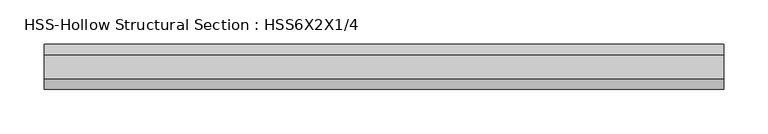
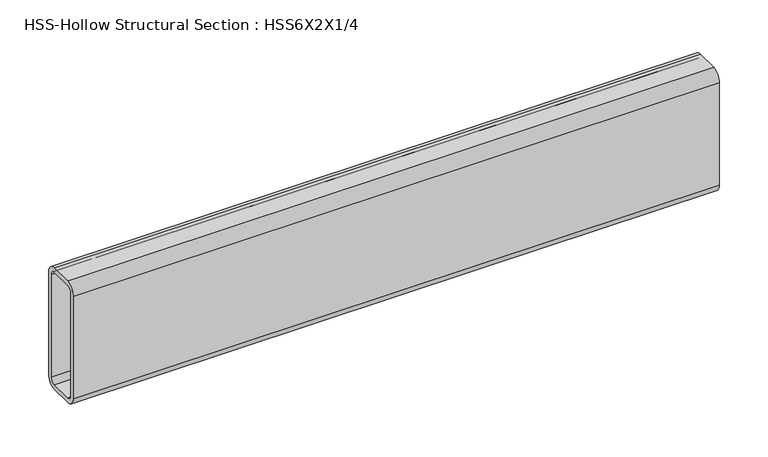
"""IFC4 building model written with IfcOpenShell, lengths in millimetres: beam geometry, HSS-Hollow Structural Section : HSS6X2X1/4."""

import ifcopenshell
import ifcopenshell.guid

model = None  # the IFC model being written
_history = None  # IfcOwnerHistory: only IFC2X3 demands one
_inside = {}  # id of a spatial element -> (the spatial element, [elements in it])
_under = {}  # id of a project, library or spatial element -> (it, [spatial elements below it])
_declared = {}  # id of a project -> (the project, [libraries it declares])
_typed = {}  # id of a type object -> (the type object, [elements of that type])
_made_of = {}  # id of a material, layer set ... -> (it, [elements and type objects made of it])


def new_model(schema):
    """Start an empty IFC model of exactly this schema.

    Asked for "IFC4X3", IfcOpenShell would pick the latest addendum, in which some entities
    have other attributes; the version numbers below select the first issue.
    IFC2X3 requires an IfcOwnerHistory on every rooted entity: one is made here for all.
    """
    global model, _history
    if schema == "IFC4X3":
        model = ifcopenshell.file(schema_version=(4, 3, 0, 0))
    else:
        model = ifcopenshell.file(schema=schema)
    _inside.clear()
    _under.clear()
    _declared.clear()
    _typed.clear()
    _made_of.clear()
    _history = None
    if model.schema == "IFC2X3":
        org = make("IfcOrganization", Name="unknown")
        user = make(
            "IfcPersonAndOrganization",
            ThePerson=make("IfcPerson", FamilyName="unknown"),
            TheOrganization=org,
        )
        app = make(
            "IfcApplication",
            ApplicationDeveloper=org,
            Version="unknown",
            ApplicationFullName="unknown",
            ApplicationIdentifier="unknown",
        )
        _history = make(
            "IfcOwnerHistory",
            OwningUser=user,
            OwningApplication=app,
            ChangeAction="ADDED",
            CreationDate=0,
        )
    return model


def make(cls, **values):
    """One entity of the class cls with the attributes given. An attribute that is None is left unset."""
    return model.create_entity(
        cls, **{name: value for name, value in values.items() if value is not None}
    )


def rooted(cls, **values):
    """An entity with a GlobalId (a new one), such as an element, a storey or a relation."""
    return make(cls, GlobalId=ifcopenshell.guid.new(), OwnerHistory=_history, **values)


def si_unit(unit_type, name, prefix=None):
    """IfcSIUnit, for example si_unit("LENGTHUNIT", "METRE", prefix="MILLI")."""
    return make("IfcSIUnit", UnitType=unit_type, Prefix=prefix, Name=name)


def assignment(units):
    """IfcUnitAssignment: the units of a project."""
    return None if units is None else make("IfcUnitAssignment", Units=units)


def point(xyz):
    """IfcCartesianPoint."""
    return None if xyz is None else make("IfcCartesianPoint", Coordinates=xyz)


def direction(xyz):
    """IfcDirection."""
    return None if xyz is None else make("IfcDirection", DirectionRatios=xyz)


def frame(location, z_axis=None, x_axis=None):
    """IfcAxis2Placement3D, a coordinate frame: its origin and axes. An axis left out is left unset."""
    return make(
        "IfcAxis2Placement3D",
        Location=point(location),
        Axis=direction(z_axis),
        RefDirection=direction(x_axis),
    )


def frame_2d(location, x_axis=None):
    """IfcAxis2Placement2D, a coordinate frame in the plane: its origin and x axis."""
    return make(
        "IfcAxis2Placement2D", Location=point(location), RefDirection=direction(x_axis)
    )


def origin():
    """The frame at (0, 0, 0) with its axes left unset."""
    return frame((0.0, 0.0, 0.0))


def place(relative_to, where):
    """IfcLocalPlacement: puts the frame where relative to a parent placement (None: the world)."""
    return make(
        "IfcLocalPlacement", PlacementRelTo=relative_to, RelativePlacement=where
    )


def context(
    kind, dimensions, precision=None, world=None, true_north=None, identifier=None
):
    """IfcGeometricRepresentationContext, for example the 3D "Model" context."""
    return make(
        "IfcGeometricRepresentationContext",
        ContextIdentifier=identifier,
        ContextType=kind,
        CoordinateSpaceDimension=dimensions,
        Precision=precision,
        WorldCoordinateSystem=world,
        TrueNorth=true_north,
    )


def project(units=None, contexts=None):
    """IfcProject with its units and contexts."""
    return rooted(
        "IfcProject",
        Name="project",
        RepresentationContexts=contexts,
        UnitsInContext=assignment(units),
    )


def spatial(cls, under=None, at=None, **own):
    """A site, building, storey or space (cls), placed at a placement, below another one or the project."""
    s = rooted(cls, ObjectPlacement=at, **own)
    if under is not None:
        _under.setdefault(under.id(), (under, []))[1].append(s)
    return s


def polyline(points):
    """IfcPolyline through the points."""
    return make("IfcPolyline", Points=[point(p) for p in points])


def circle_curve(where, radius):
    """IfcCircle in the frame where."""
    return make("IfcCircle", Position=where, Radius=radius)


def trimmed(basis, trim1, trim2, sense, master):
    """IfcTrimmedCurve: the piece of a basis curve between two trims."""
    return make(
        "IfcTrimmedCurve",
        BasisCurve=basis,
        Trim1=trim1,
        Trim2=trim2,
        SenseAgreement=sense,
        MasterRepresentation=master,
    )


def segment(curve, same_sense, transition):
    """IfcCompositeCurveSegment."""
    return make(
        "IfcCompositeCurveSegment",
        Transition=transition,
        SameSense=same_sense,
        ParentCurve=curve,
    )


def composite_curve(segments, self_intersect=None):
    """IfcCompositeCurve: segments joined end to end."""
    return make("IfcCompositeCurve", Segments=segments, SelfIntersect=self_intersect)


def outline(outer, holes=None, kind="AREA"):
    """IfcArbitraryClosedProfileDef: a profile drawn as a closed curve; with holes, ...WithVoids."""
    if holes is None:
        return make("IfcArbitraryClosedProfileDef", ProfileType=kind, OuterCurve=outer)
    return make(
        "IfcArbitraryProfileDefWithVoids",
        ProfileType=kind,
        OuterCurve=outer,
        InnerCurves=holes,
    )


def extrude(swept, where, along, depth):
    """IfcExtrudedAreaSolid: the profile swept, set in the frame where, extruded along a direction by depth."""
    return make(
        "IfcExtrudedAreaSolid",
        SweptArea=swept,
        Position=where,
        ExtrudedDirection=direction(along),
        Depth=depth,
    )


def shape(context_of_items, identifier, shape_type, items):
    """IfcShapeRepresentation: the items that make up one representation, for example the "Body"."""
    return make(
        "IfcShapeRepresentation",
        ContextOfItems=context_of_items,
        RepresentationIdentifier=identifier,
        RepresentationType=shape_type,
        Items=items,
    )


def source(mapping_origin, context_of_items, identifier, shape_type, items):
    """IfcRepresentationMap: a shape defined once, which mapped items show again and again."""
    return make(
        "IfcRepresentationMap",
        MappingOrigin=mapping_origin,
        MappedRepresentation=shape(context_of_items, identifier, shape_type, items),
    )


def transform(
    local_origin,
    x_axis=None,
    y_axis=None,
    z_axis=None,
    scale=None,
    scale2=None,
    scale3=None,
    uniform=True,
):
    """IfcCartesianTransformationOperator3D, or its non-uniform kind. x_axis, y_axis, z_axis: its Axis1, 2, 3."""
    if uniform:
        return make(
            "IfcCartesianTransformationOperator3D",
            Axis1=direction(x_axis),
            Axis2=direction(y_axis),
            LocalOrigin=point(local_origin),
            Scale=scale,
            Axis3=direction(z_axis),
        )
    return make(
        "IfcCartesianTransformationOperator3DnonUniform",
        Axis1=direction(x_axis),
        Axis2=direction(y_axis),
        LocalOrigin=point(local_origin),
        Scale=scale,
        Axis3=direction(z_axis),
        Scale2=scale2,
        Scale3=scale3,
    )


def mapped(mapping_source, mapping_target):
    """IfcMappedItem: shows the shape of a source again, moved by a transform."""
    return make(
        "IfcMappedItem", MappingSource=mapping_source, MappingTarget=mapping_target
    )


def made_of(thing, what):
    """Note that an element or type object is made of a material, layer set ...; save() writes the relation."""
    if what is not None:
        _made_of.setdefault(what.id(), (what, []))[1].append(thing)
    return thing


def element(
    cls,
    number,
    at=None,
    inside=None,
    cuts=None,
    type_object=None,
    material=None,
    context=None,
    identifier="Body",
    shape_type=None,
    held_by="IfcProductDefinitionShape",
    body=None,
    shapes=None,
    **own,
):
    """One element of the class cls, such as IfcWall. Its Tag is "e" and its number.

    at: its placement. inside: the storey or other place that contains it. cuts: it is an
    opening in that element (IfcRelVoidsElement). A single representation is given by context,
    identifier, shape_type and body (its items); several are given by shapes. held_by: the class
    of the entity that holds the representations. save() writes the other relations.
    """
    e = rooted(cls, Tag="e%d" % number, ObjectPlacement=at, **own)
    if body is not None:
        shapes = [shape(context, identifier, shape_type, body)]
    if shapes is not None:
        e.Representation = make(held_by, Representations=shapes)
    if inside is not None:
        _inside.setdefault(inside.id(), (inside, []))[1].append(e)
    if cuts is not None:
        rooted(
            "IfcRelVoidsElement", RelatingBuildingElement=cuts, RelatedOpeningElement=e
        )
    if type_object is not None:
        _typed.setdefault(type_object.id(), (type_object, []))[1].append(e)
    return made_of(e, material)


def aggregate(whole, parts):
    """IfcRelAggregates: a whole, such as a stair, and the parts it consists of."""
    return rooted("IfcRelAggregates", RelatingObject=whole, RelatedObjects=parts)


def save(model, path):
    """Write the relations noted so far, then the file.

    IfcRelAggregates (storeys below a building ...), IfcRelContainedInSpatialStructure (elements
    in a storey), IfcRelDefinesByType, IfcRelAssociatesMaterial and IfcRelDeclares: one each for
    every whole, place, type object, material and project.
    """
    for whole, parts in _under.values():
        aggregate(whole, parts)
    for where, things in _inside.values():
        rooted(
            "IfcRelContainedInSpatialStructure",
            RelatedElements=things,
            RelatingStructure=where,
        )
    for kind, things in _typed.values():
        rooted("IfcRelDefinesByType", RelatedObjects=things, RelatingType=kind)
    for what, things in _made_of.values():
        rooted("IfcRelAssociatesMaterial", RelatedObjects=things, RelatingMaterial=what)
    for by, libraries in _declared.values():
        rooted("IfcRelDeclares", RelatingContext=by, RelatedDefinitions=libraries)
    model.write(path)


def hss_hollow_structural_section_hss6x2x1_4_426756b7(model_context):
    return source(origin(), model_context, "Body", "SweptSolid", [
        extrude(outline(composite_curve([segment(polyline([(25.4, 64.3636), (25.4, -64.3636)]), True, "CONTINUOUS"), segment(trimmed(circle_curve(frame_2d((13.5636, -64.3636)), 11.8364), [point((25.4, -64.3636))], [point((13.5636, -76.2))], False, "CARTESIAN"), True, "CONTINUOUS"), segment(polyline([(13.5636, -76.2), (-13.5636, -76.2)]), True, "CONTINUOUS"), segment(trimmed(circle_curve(frame_2d((-13.5636, -64.3636)), 11.8364), [point((-13.5636, -76.2))], [point((-25.4, -64.3636))], False, "CARTESIAN"), True, "CONTINUOUS"), segment(polyline([(-25.4, -64.3636), (-25.4, 64.3636)]), True, "CONTINUOUS"), segment(trimmed(circle_curve(frame_2d((-13.5636, 64.3636)), 11.8364), [point((-25.4, 64.3636))], [point((-13.5636, 76.2))], False, "CARTESIAN"), True, "CONTINUOUS"), segment(polyline([(-13.5636, 76.2), (13.5636, 76.2)]), True, "CONTINUOUS"), segment(trimmed(circle_curve(frame_2d((13.5636, 64.3636)), 11.8364), [point((13.5636, 76.2))], [point((25.4, 64.3636))], False, "CARTESIAN"), True, "CONTINUOUS")], self_intersect=False), holes=[composite_curve([segment(trimmed(circle_curve(frame_2d((-13.5636, 64.3636)), 5.9182), [point((-13.5636, 70.2818))], [point((-19.4818, 64.3636))], True, "CARTESIAN"), True, "CONTINUOUS"), segment(polyline([(-19.4818, 64.3636), (-19.4818, -64.3636)]), True, "CONTINUOUS"), segment(trimmed(circle_curve(frame_2d((-13.5636, -64.3636)), 5.9182), [point((-19.4818, -64.3636))], [point((-13.5636, -70.2818))], True, "CARTESIAN"), True, "CONTINUOUS"), segment(polyline([(-13.5636, -70.2818), (13.5636, -70.2818)]), True, "CONTINUOUS"), segment(trimmed(circle_curve(frame_2d((13.5636, -64.3636)), 5.9182), [point((13.5636, -70.2818))], [point((19.4818, -64.3636))], True, "CARTESIAN"), True, "CONTINUOUS"), segment(polyline([(19.4818, -64.3636), (19.4818, 64.3636)]), True, "CONTINUOUS"), segment(trimmed(circle_curve(frame_2d((13.5636, 64.3636)), 5.9182), [point((19.4818, 64.3636))], [point((13.5636, 70.2818))], True, "CARTESIAN"), True, "CONTINUOUS"), segment(polyline([(13.5636, 70.2818), (-13.5636, 70.2818)]), True, "CONTINUOUS")], self_intersect=False)]), frame((-383.2199454, 0.0, 0.0), z_axis=(1.0, 0.0, 0.0), x_axis=(0.0, 1.0, 0.0)), (0.0, 0.0, 1.0), 766.4398908),
    ])


if __name__ == "__main__":
    model = new_model("IFC4")
    model_context = context("Model", 3, world=origin())
    ifc_project = project(units=[si_unit("LENGTHUNIT", "METRE", prefix="MILLI")], contexts=[model_context])
    site = spatial("IfcSite", under=ifc_project)
    building = spatial("IfcBuilding", under=site)
    placement = place(None, origin())
    hss_hollow_structural_section_hss6x2x1_4_shape = hss_hollow_structural_section_hss6x2x1_4_426756b7(model_context)
    element("IfcBeam", 1, ObjectType="HSS-Hollow Structural Section : HSS6X2X1/4", at=placement, inside=building, context=model_context, shape_type="MappedRepresentation", body=[
        mapped(hss_hollow_structural_section_hss6x2x1_4_shape, transform((0.0, 0.0, 0.0), x_axis=(1.0, 0.0, 0.0), y_axis=(0.0, 1.0, 0.0), z_axis=(0.0, 0.0, 1.0))),
    ])
    save(model, "model.ifc")
